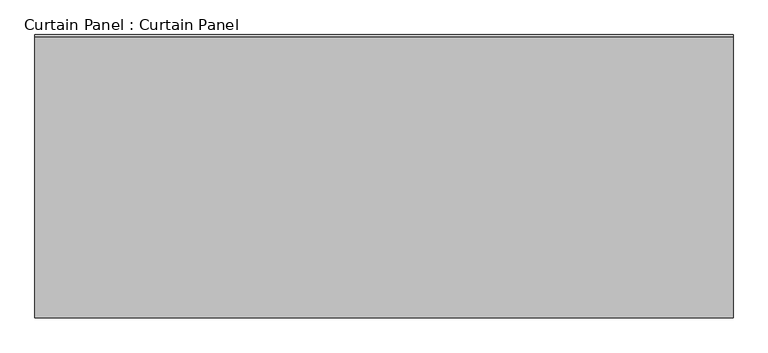
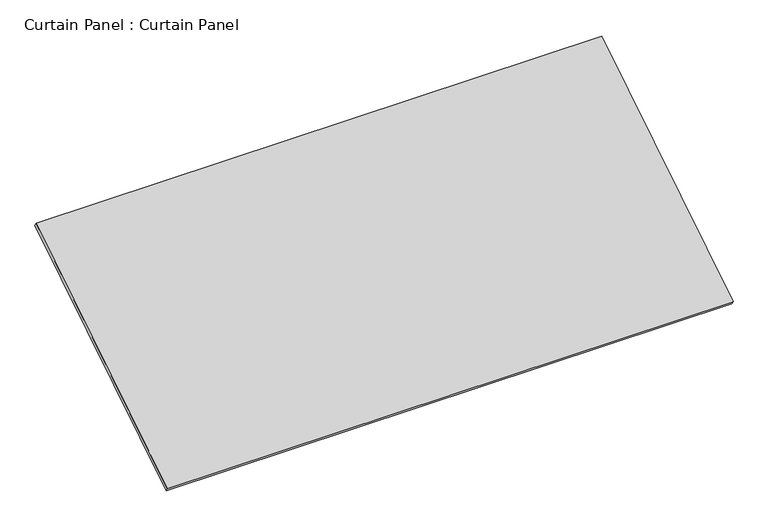
"""IFC4 building model written with IfcOpenShell, lengths in millimetres: plate geometry, Curtain Panel : Curtain Panel."""

import ifcopenshell
import ifcopenshell.guid

model = None  # the IFC model being written
_history = None  # IfcOwnerHistory: only IFC2X3 demands one
_inside = {}  # id of a spatial element -> (the spatial element, [elements in it])
_under = {}  # id of a project, library or spatial element -> (it, [spatial elements below it])
_declared = {}  # id of a project -> (the project, [libraries it declares])
_typed = {}  # id of a type object -> (the type object, [elements of that type])
_made_of = {}  # id of a material, layer set ... -> (it, [elements and type objects made of it])


def new_model(schema):
    """Start an empty IFC model of exactly this schema.

    Asked for "IFC4X3", IfcOpenShell would pick the latest addendum, in which some entities
    have other attributes; the version numbers below select the first issue.
    IFC2X3 requires an IfcOwnerHistory on every rooted entity: one is made here for all.
    """
    global model, _history
    if schema == "IFC4X3":
        model = ifcopenshell.file(schema_version=(4, 3, 0, 0))
    else:
        model = ifcopenshell.file(schema=schema)
    _inside.clear()
    _under.clear()
    _declared.clear()
    _typed.clear()
    _made_of.clear()
    _history = None
    if model.schema == "IFC2X3":
        org = make("IfcOrganization", Name="unknown")
        user = make(
            "IfcPersonAndOrganization",
            ThePerson=make("IfcPerson", FamilyName="unknown"),
            TheOrganization=org,
        )
        app = make(
            "IfcApplication",
            ApplicationDeveloper=org,
            Version="unknown",
            ApplicationFullName="unknown",
            ApplicationIdentifier="unknown",
        )
        _history = make(
            "IfcOwnerHistory",
            OwningUser=user,
            OwningApplication=app,
            ChangeAction="ADDED",
            CreationDate=0,
        )
    return model


def make(cls, **values):
    """One entity of the class cls with the attributes given. An attribute that is None is left unset."""
    return model.create_entity(
        cls, **{name: value for name, value in values.items() if value is not None}
    )


def rooted(cls, **values):
    """An entity with a GlobalId (a new one), such as an element, a storey or a relation."""
    return make(cls, GlobalId=ifcopenshell.guid.new(), OwnerHistory=_history, **values)


def si_unit(unit_type, name, prefix=None):
    """IfcSIUnit, for example si_unit("LENGTHUNIT", "METRE", prefix="MILLI")."""
    return make("IfcSIUnit", UnitType=unit_type, Prefix=prefix, Name=name)


def assignment(units):
    """IfcUnitAssignment: the units of a project."""
    return None if units is None else make("IfcUnitAssignment", Units=units)


def point(xyz):
    """IfcCartesianPoint."""
    return None if xyz is None else make("IfcCartesianPoint", Coordinates=xyz)


def direction(xyz):
    """IfcDirection."""
    return None if xyz is None else make("IfcDirection", DirectionRatios=xyz)


def frame(location, z_axis=None, x_axis=None):
    """IfcAxis2Placement3D, a coordinate frame: its origin and axes. An axis left out is left unset."""
    return make(
        "IfcAxis2Placement3D",
        Location=point(location),
        Axis=direction(z_axis),
        RefDirection=direction(x_axis),
    )


def origin():
    """The frame at (0, 0, 0) with its axes left unset."""
    return frame((0.0, 0.0, 0.0))


def place(relative_to, where):
    """IfcLocalPlacement: puts the frame where relative to a parent placement (None: the world)."""
    return make(
        "IfcLocalPlacement", PlacementRelTo=relative_to, RelativePlacement=where
    )


def context(
    kind, dimensions, precision=None, world=None, true_north=None, identifier=None
):
    """IfcGeometricRepresentationContext, for example the 3D "Model" context."""
    return make(
        "IfcGeometricRepresentationContext",
        ContextIdentifier=identifier,
        ContextType=kind,
        CoordinateSpaceDimension=dimensions,
        Precision=precision,
        WorldCoordinateSystem=world,
        TrueNorth=true_north,
    )


def project(units=None, contexts=None):
    """IfcProject with its units and contexts."""
    return rooted(
        "IfcProject",
        Name="project",
        RepresentationContexts=contexts,
        UnitsInContext=assignment(units),
    )


def spatial(cls, under=None, at=None, **own):
    """A site, building, storey or space (cls), placed at a placement, below another one or the project."""
    s = rooted(cls, ObjectPlacement=at, **own)
    if under is not None:
        _under.setdefault(under.id(), (under, []))[1].append(s)
    return s


def polyline(points):
    """IfcPolyline through the points."""
    return make("IfcPolyline", Points=[point(p) for p in points])


def outline(outer, holes=None, kind="AREA"):
    """IfcArbitraryClosedProfileDef: a profile drawn as a closed curve; with holes, ...WithVoids."""
    if holes is None:
        return make("IfcArbitraryClosedProfileDef", ProfileType=kind, OuterCurve=outer)
    return make(
        "IfcArbitraryProfileDefWithVoids",
        ProfileType=kind,
        OuterCurve=outer,
        InnerCurves=holes,
    )


def extrude(swept, where, along, depth):
    """IfcExtrudedAreaSolid: the profile swept, set in the frame where, extruded along a direction by depth."""
    return make(
        "IfcExtrudedAreaSolid",
        SweptArea=swept,
        Position=where,
        ExtrudedDirection=direction(along),
        Depth=depth,
    )


def shape(context_of_items, identifier, shape_type, items):
    """IfcShapeRepresentation: the items that make up one representation, for example the "Body"."""
    return make(
        "IfcShapeRepresentation",
        ContextOfItems=context_of_items,
        RepresentationIdentifier=identifier,
        RepresentationType=shape_type,
        Items=items,
    )


def source(mapping_origin, context_of_items, identifier, shape_type, items):
    """IfcRepresentationMap: a shape defined once, which mapped items show again and again."""
    return make(
        "IfcRepresentationMap",
        MappingOrigin=mapping_origin,
        MappedRepresentation=shape(context_of_items, identifier, shape_type, items),
    )


def transform(
    local_origin,
    x_axis=None,
    y_axis=None,
    z_axis=None,
    scale=None,
    scale2=None,
    scale3=None,
    uniform=True,
):
    """IfcCartesianTransformationOperator3D, or its non-uniform kind. x_axis, y_axis, z_axis: its Axis1, 2, 3."""
    if uniform:
        return make(
            "IfcCartesianTransformationOperator3D",
            Axis1=direction(x_axis),
            Axis2=direction(y_axis),
            LocalOrigin=point(local_origin),
            Scale=scale,
            Axis3=direction(z_axis),
        )
    return make(
        "IfcCartesianTransformationOperator3DnonUniform",
        Axis1=direction(x_axis),
        Axis2=direction(y_axis),
        LocalOrigin=point(local_origin),
        Scale=scale,
        Axis3=direction(z_axis),
        Scale2=scale2,
        Scale3=scale3,
    )


def mapped(mapping_source, mapping_target):
    """IfcMappedItem: shows the shape of a source again, moved by a transform."""
    return make(
        "IfcMappedItem", MappingSource=mapping_source, MappingTarget=mapping_target
    )


def made_of(thing, what):
    """Note that an element or type object is made of a material, layer set ...; save() writes the relation."""
    if what is not None:
        _made_of.setdefault(what.id(), (what, []))[1].append(thing)
    return thing


def element(
    cls,
    number,
    at=None,
    inside=None,
    cuts=None,
    type_object=None,
    material=None,
    context=None,
    identifier="Body",
    shape_type=None,
    held_by="IfcProductDefinitionShape",
    body=None,
    shapes=None,
    **own,
):
    """One element of the class cls, such as IfcWall. Its Tag is "e" and its number.

    at: its placement. inside: the storey or other place that contains it. cuts: it is an
    opening in that element (IfcRelVoidsElement). A single representation is given by context,
    identifier, shape_type and body (its items); several are given by shapes. held_by: the class
    of the entity that holds the representations. save() writes the other relations.
    """
    e = rooted(cls, Tag="e%d" % number, ObjectPlacement=at, **own)
    if body is not None:
        shapes = [shape(context, identifier, shape_type, body)]
    if shapes is not None:
        e.Representation = make(held_by, Representations=shapes)
    if inside is not None:
        _inside.setdefault(inside.id(), (inside, []))[1].append(e)
    if cuts is not None:
        rooted(
            "IfcRelVoidsElement", RelatingBuildingElement=cuts, RelatedOpeningElement=e
        )
    if type_object is not None:
        _typed.setdefault(type_object.id(), (type_object, []))[1].append(e)
    return made_of(e, material)


def aggregate(whole, parts):
    """IfcRelAggregates: a whole, such as a stair, and the parts it consists of."""
    return rooted("IfcRelAggregates", RelatingObject=whole, RelatedObjects=parts)


def save(model, path):
    """Write the relations noted so far, then the file.

    IfcRelAggregates (storeys below a building ...), IfcRelContainedInSpatialStructure (elements
    in a storey), IfcRelDefinesByType, IfcRelAssociatesMaterial and IfcRelDeclares: one each for
    every whole, place, type object, material and project.
    """
    for whole, parts in _under.values():
        aggregate(whole, parts)
    for where, things in _inside.values():
        rooted(
            "IfcRelContainedInSpatialStructure",
            RelatedElements=things,
            RelatingStructure=where,
        )
    for kind, things in _typed.values():
        rooted("IfcRelDefinesByType", RelatedObjects=things, RelatingType=kind)
    for what, things in _made_of.values():
        rooted("IfcRelAssociatesMaterial", RelatedObjects=things, RelatingMaterial=what)
    for by, libraries in _declared.values():
        rooted("IfcRelDeclares", RelatingContext=by, RelatedDefinitions=libraries)
    model.write(path)


def curtain_panel_curtain_panel_787a3d16(model_context):
    return source(origin(), model_context, "Body", "SweptSolid", [
        extrude(outline(polyline([(3754.902951, 0.0), (3754.902951, -1782.4164482), (0.0, -1782.4164482), (0.0, 0.0), (3754.902951, 0.0)])), frame((-126814.6430895, 3817.3599492, 12045.6104005), z_axis=(0.0, -0.5318918435658209, 0.8468122972348432), x_axis=(-1.0, 0.0, 0.0)), (0.0, 0.0, 1.0), 25.4),
    ])


if __name__ == "__main__":
    model = new_model("IFC4")
    model_context = context("Model", 3, world=origin())
    ifc_project = project(units=[si_unit("LENGTHUNIT", "METRE", prefix="MILLI")], contexts=[model_context])
    site = spatial("IfcSite", under=ifc_project)
    building = spatial("IfcBuilding", under=site)
    placement = place(None, origin())
    curtain_panel_curtain_panel_shape = curtain_panel_curtain_panel_787a3d16(model_context)
    element("IfcPlate", 1, ObjectType="Curtain Panel : Curtain Panel", at=placement, inside=building, context=model_context, shape_type="MappedRepresentation", body=[
        mapped(curtain_panel_curtain_panel_shape, transform((0.0, 0.0, 0.0), x_axis=(1.0, 0.0, 0.0), y_axis=(0.0, 1.0, 0.0), z_axis=(0.0, 0.0, 1.0))),
    ])
    save(model, "model.ifc")
